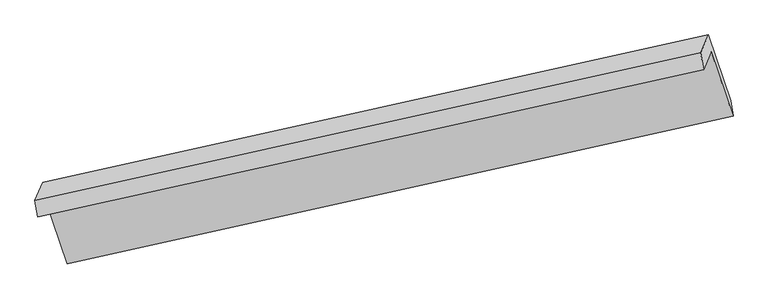
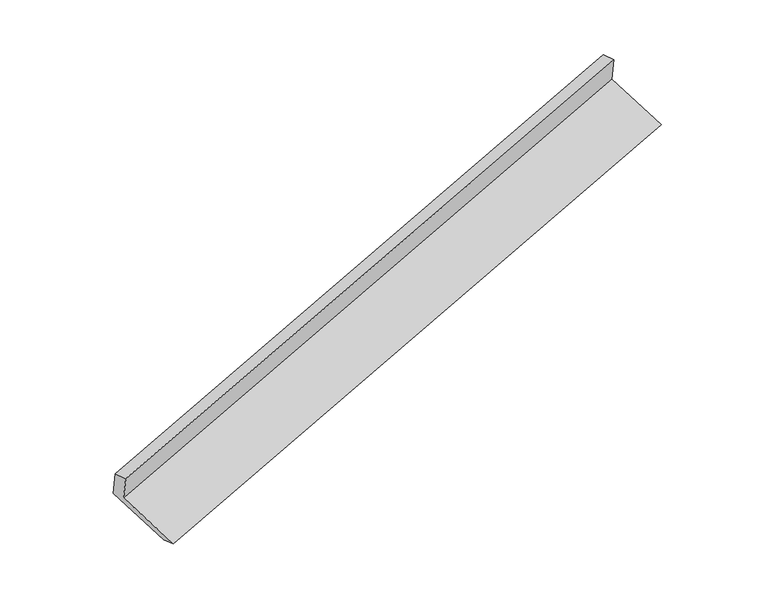
"""IFC4 building model written with IfcOpenShell, lengths in millimetres: proxy geometry."""

from ifc_helpers import new_model, si_unit, origin, place, context, project, spatial, faceted_brep, source, transform, mapped, element, save


def generic_models_8a9721bc(model_context):
    return source(origin(), model_context, "Body", "Brep", [
        faceted_brep([(-5913.1108407, -2001.6109235, 978.8292573), (-5714.0714023, -2586.6922447, 744.2297104), (326.9378766, -1247.1659971, 2599.2772221), (127.8984382, -662.0846758, 2833.876769), (-5982.5158844, -2162.9917681, 1322.4214676), (58.4933945, -823.4655204, 3177.4689793), (-6007.7730682, -2010.2638661, 1295.9618958), (33.2362107, -670.7376184, 3151.0094075), (-5937.4928932, -1846.8481632, 948.0373159), (103.5163857, -507.3219155, 2803.0848276), (-5734.1793289, -2444.4933826, 708.4000337), (306.82995, -1104.967135, 2563.4475454)], [[[0, 1, 2, 3]], [[4, 0, 3, 5]], [[6, 4, 5, 7]], [[8, 6, 7, 9]], [[10, 8, 9, 11]], [[1, 10, 11, 2]], [[9, 7, 5, 3, 2, 11]], [[1, 0, 4, 6, 8, 10]]]),
    ])


if __name__ == "__main__":
    model = new_model("IFC4")
    model_context = context("Model", 3, world=origin())
    ifc_project = project(units=[si_unit("LENGTHUNIT", "METRE", prefix="MILLI")], contexts=[model_context])
    site = spatial("IfcSite", under=ifc_project)
    building = spatial("IfcBuilding", under=site)
    placement = place(None, origin())
    generic_models_shape = generic_models_8a9721bc(model_context)
    element("IfcBuildingElementProxy", 1, Name="Generic Models", at=placement, inside=building, context=model_context, shape_type="MappedRepresentation", body=[
        mapped(generic_models_shape, transform((0.0, 0.0, 0.0), x_axis=(1.0, 0.0, 0.0), y_axis=(0.0, 1.0, 0.0), z_axis=(0.0, 0.0, 1.0))),
    ])
    save(model, "model.ifc")
